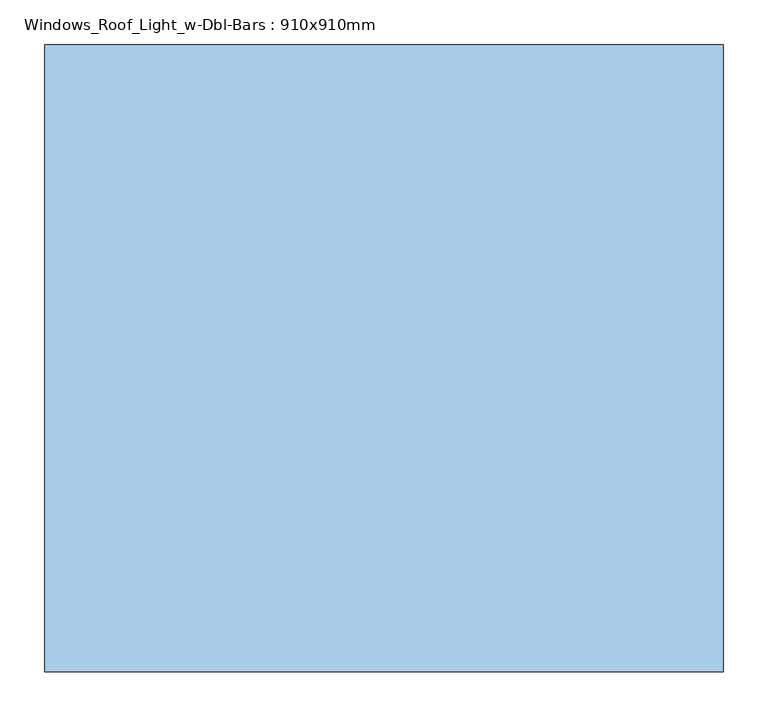
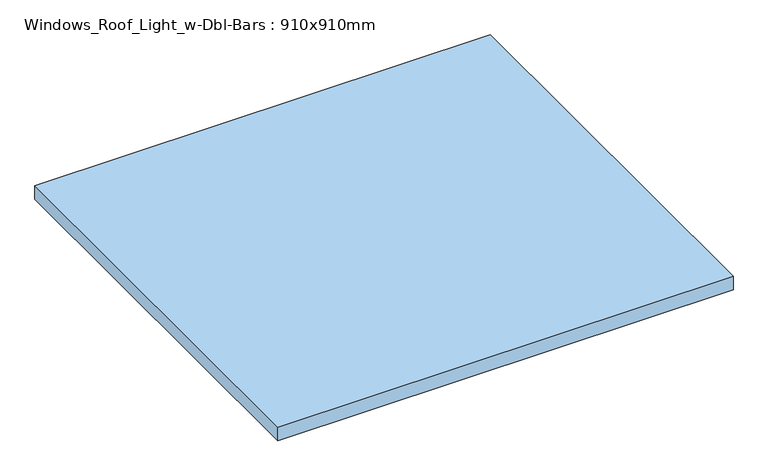
"""IFC4 building model written with IfcOpenShell, lengths in millimetres: window geometry, Windows_Roof_Light_w-Dbl-Bars : 910x910mm."""

from ifc_helpers import new_model, si_unit, frame, origin, place, context, project, spatial, polyline, outline, extrude, source, transform, mapped, element, save


def windows_roof_light_w_dbl_bars_910x910mm_154f53fe(model_context):
    return source(origin(), model_context, "Body", "SweptSolid", [
        extrude(outline(polyline([(-111.1478018, 373.1596771), (-111.1478018, 1072.2399183), (644.9702937, 1072.2399183), (644.9702937, 373.1596771), (-111.1478018, 373.1596771)])), frame((0.0, 0.0, 3932.6), z_axis=(0.0, 0.0, 1.0), x_axis=(1.0, 0.0, 0.0)), (0.0, 0.0, 1.0), 24.0),
    ])


if __name__ == "__main__":
    model = new_model("IFC4")
    model_context = context("Model", 3, world=origin())
    ifc_project = project(units=[si_unit("LENGTHUNIT", "METRE", prefix="MILLI")], contexts=[model_context])
    site = spatial("IfcSite", under=ifc_project)
    building = spatial("IfcBuilding", under=site)
    placement = place(None, origin())
    windows_roof_light_w_dbl_bars_910x910mm_shape = windows_roof_light_w_dbl_bars_910x910mm_154f53fe(model_context)
    element("IfcWindow", 1, ObjectType="Windows_Roof_Light_w-Dbl-Bars : 910x910mm", at=placement, inside=building, context=model_context, shape_type="MappedRepresentation", body=[
        mapped(windows_roof_light_w_dbl_bars_910x910mm_shape, transform((0.0, 0.0, 0.0), x_axis=(1.0, 0.0, 0.0), y_axis=(0.0, 1.0, 0.0), z_axis=(0.0, 0.0, 1.0))),
    ])
    save(model, "model.ifc")
